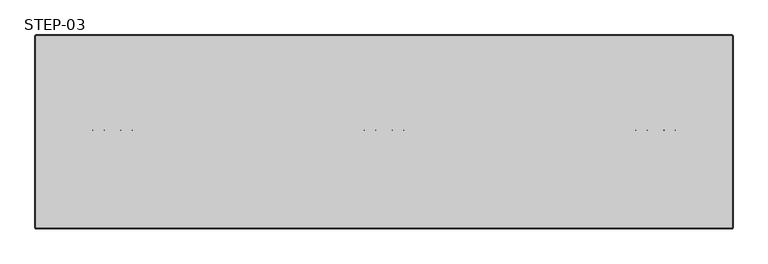
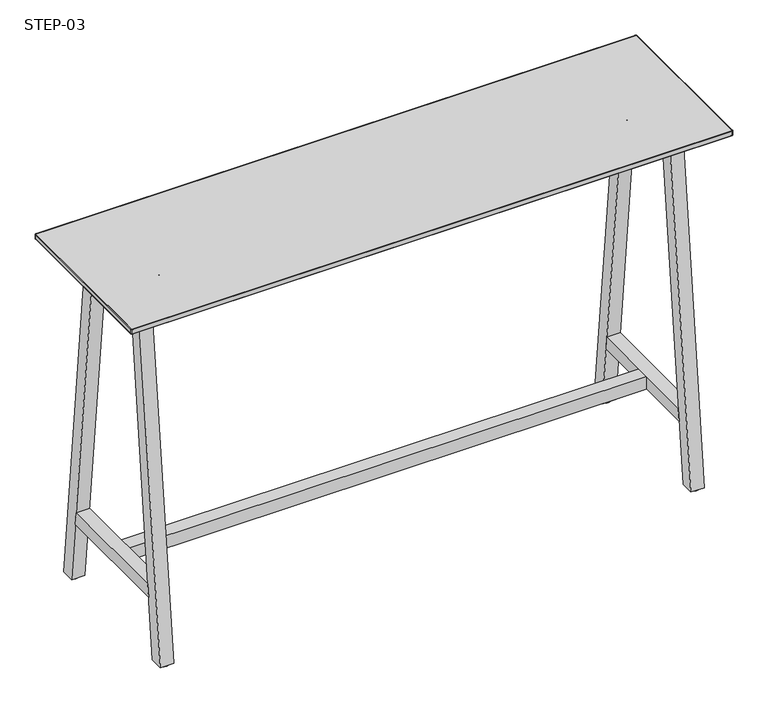
"""IFC4 building model written with IfcOpenShell, lengths in millimetres: furniture geometry, STEP-03."""

from ifc_helpers import new_model, si_unit, point, frame, frame_2d, origin, origin_with_axes, place, context, project, spatial, polyline, circle_curve, ellipse_curve, trimmed, segment, composite_curve, outline, extrude, source, transform, mapped, element, save
from ifc_brep_helpers import plane_surface, cylinder_surface, revolved_surface, advanced_brep


def step_03_76d133e0(model_context):
    return source(origin(), model_context, "Body", "SolidModel", [
        advanced_brep(
        [(1651.6617578, -245.26875, 1075.5126393), (1651.6617578, -254.79375, 1075.5126393), (1651.6617578, -254.79375, 1064.3548791), (1651.6617578, -245.26875, 1064.3548791), (1621.3137556, -245.26875, 1064.3548791), (1621.3137556, -254.79375, 1064.3548791), (1621.3137556, -245.26875, 1066.1171373), (1621.3137556, -254.79375, 1066.1171373)],
        [
            (0, 1, circle_curve(frame((1651.6617578, -250.03125, 1075.5126393), z_axis=(0.0, 0.0, 1.0), x_axis=(0.0, -1.0, 0.0)), 4.7625)),
            (1, 0, circle_curve(frame((1651.6617578, -250.03125, 1075.5126393), z_axis=(0.0, 0.0, 1.0), x_axis=(0.0, -1.0, 0.0)), 4.7625)),
            (1, 2),
            (2, 3, circle_curve(frame((1651.6617578, -250.03125, 1064.3548791), z_axis=(0.0, 0.0, 1.0), x_axis=(0.0, -1.0, 0.0)), 4.7625)),
            (3, 0),
            (3, 2, circle_curve(frame((1651.6617578, -250.03125, 1064.3548791), z_axis=(0.0, 0.0, 1.0), x_axis=(0.0, -1.0, 0.0)), 4.7625)),
            (4, 3, circle_curve(frame((1636.4877567, -245.26875, 1064.3548791), z_axis=(0.0, -1.0, 0.0), x_axis=(1.0, 0.0, 0.0)), 15.1740011)),
            (2, 5, circle_curve(frame((1636.4877567, -254.79375, 1064.3548791), z_axis=(0.0, 1.0, 0.0), x_axis=(1.0, 0.0, 0.0)), 15.1740011)),
            (5, 4, circle_curve(frame((1621.3137556, -250.03125, 1064.3548791), z_axis=(0.0, 0.0, -1.0), x_axis=(0.0, -1.0, 0.0)), 4.7625)),
            (4, 5, circle_curve(frame((1621.3137556, -250.03125, 1064.3548791), z_axis=(0.0, 0.0, -1.0), x_axis=(0.0, -1.0, 0.0)), 4.7625)),
            (6, 7, circle_curve(frame((1621.3137556, -250.03125, 1066.1171373), z_axis=(0.0, 0.0, 1.0), x_axis=(0.0, -1.0, 0.0)), 4.7625)),
            (7, 6, circle_curve(frame((1621.3137556, -250.03125, 1066.1171373), z_axis=(0.0, 0.0, 1.0), x_axis=(0.0, -1.0, 0.0)), 4.7625)),
            (5, 7),
            (6, 4),
        ],
        [
            plane_surface(frame((1656.4242578, -250.825, 1075.5126393), z_axis=(0.0, 0.0, 1.0), x_axis=(0.0, -1.0, 0.0))),
            cylinder_surface(frame((1651.6617578, -250.03125, 1075.5126393), z_axis=(0.0, 0.0, 1.0), x_axis=(0.0, -1.0, 0.0)), 4.7625),
            revolved_surface(trimmed(ellipse_curve(frame((1651.6617578, -250.03125, 1064.3548791), z_axis=(0.0, 0.0, 1.0), x_axis=(0.0, -1.0, 0.0)), 4.7625, 4.7625), [point((1651.6617578, -254.79375, 1064.3548791))], [point((1651.6617578, -245.26875, 1064.3548791))], True, "CARTESIAN"), (1636.4877567, -250.825, 1064.3548791), (0.0, 1.0, 0.0)),
            revolved_surface(trimmed(ellipse_curve(frame((1651.6617578, -250.03125, 1064.3548791), z_axis=(0.0, 0.0, 1.0), x_axis=(0.0, -1.0, 0.0)), 4.7625, 4.7625), [point((1651.6617578, -245.26875, 1064.3548791))], [point((1651.6617578, -254.79375, 1064.3548791))], True, "CARTESIAN"), (1636.4877567, -250.825, 1064.3548791), (0.0, 1.0, 0.0)),
            plane_surface(frame((1616.5512556, -250.825, 1066.1171373), z_axis=(0.0, 0.0, 1.0), x_axis=(0.0, -1.0, 0.0))),
            cylinder_surface(frame((1621.3137556, -250.03125, 1064.3548791), z_axis=(0.0, 0.0, -1.0), x_axis=(0.0, -1.0, 0.0)), 4.7625),
        ],
        [
            (0, [[1, 2]]),
            (1, [[-2, 3, 4, 5]]),
            (1, [[-1, -5, 6, -3]]),
            (2, [[7, -4, 8, 9]]),
            (3, [[-8, -6, -7, 10]]),
            (4, [[11, 12]]),
            (5, [[-9, 13, -11, 14]]),
            (5, [[-10, -14, -12, -13]]),
        ],
    ),
        advanced_brep(
        [(1548.7382422, -245.26875, 1075.5126393), (1548.7382422, -254.79375, 1075.5126393), (1548.7382422, -245.26875, 1064.3548791), (1548.7382422, -254.79375, 1064.3548791), (1579.0862444, -254.79375, 1064.3548791), (1579.0862444, -245.26875, 1064.3548791), (1579.0862444, -245.26875, 1066.1171373), (1579.0862444, -254.79375, 1066.1171373)],
        [
            (0, 1, circle_curve(frame((1548.7382422, -250.03125, 1075.5126393), z_axis=(0.0, 0.0, 1.0), x_axis=(0.0, -1.0, 0.0)), 4.7625)),
            (1, 0, circle_curve(frame((1548.7382422, -250.03125, 1075.5126393), z_axis=(0.0, 0.0, 1.0), x_axis=(0.0, -1.0, 0.0)), 4.7625)),
            (0, 2),
            (2, 3, circle_curve(frame((1548.7382422, -250.03125, 1064.3548791), z_axis=(0.0, 0.0, 1.0), x_axis=(0.0, -1.0, 0.0)), 4.7625)),
            (3, 1),
            (3, 2, circle_curve(frame((1548.7382422, -250.03125, 1064.3548791), z_axis=(0.0, 0.0, 1.0), x_axis=(0.0, -1.0, 0.0)), 4.7625)),
            (4, 3, circle_curve(frame((1563.9122433, -254.79375, 1064.3548791), z_axis=(0.0, 1.0, 0.0), x_axis=(-1.0, 0.0, 0.0)), 15.1740011)),
            (2, 5, circle_curve(frame((1563.9122433, -245.26875, 1064.3548791), z_axis=(0.0, -1.0, 0.0), x_axis=(-1.0, 0.0, 0.0)), 15.1740011)),
            (5, 4, circle_curve(frame((1579.0862444, -250.03125, 1064.3548791), z_axis=(0.0, 0.0, -1.0), x_axis=(0.0, -1.0, 0.0)), 4.7625)),
            (4, 5, circle_curve(frame((1579.0862444, -250.03125, 1064.3548791), z_axis=(0.0, 0.0, -1.0), x_axis=(0.0, -1.0, 0.0)), 4.7625)),
            (6, 7, circle_curve(frame((1579.0862444, -250.03125, 1066.1171373), z_axis=(0.0, 0.0, 1.0), x_axis=(0.0, -1.0, 0.0)), 4.7625)),
            (7, 6, circle_curve(frame((1579.0862444, -250.03125, 1066.1171373), z_axis=(0.0, 0.0, 1.0), x_axis=(0.0, -1.0, 0.0)), 4.7625)),
            (5, 6),
            (7, 4),
        ],
        [
            plane_surface(frame((1543.9757422, -250.825, 1075.5126393), z_axis=(0.0, 0.0, 1.0), x_axis=(0.0, -1.0, 0.0))),
            cylinder_surface(frame((1548.7382422, -250.03125, 1075.5126393), z_axis=(0.0, 0.0, 1.0), x_axis=(0.0, -1.0, 0.0)), 4.7625),
            revolved_surface(trimmed(ellipse_curve(frame((1548.7382422, -250.03125, 1064.3548791), z_axis=(0.0, 0.0, 1.0), x_axis=(0.0, -1.0, 0.0)), 4.7625, 4.7625), [point((1548.7382422, -245.26875, 1064.3548791))], [point((1548.7382422, -254.79375, 1064.3548791))], True, "CARTESIAN"), (1563.9122433, -250.825, 1064.3548791), (0.0, -1.0, 0.0)),
            revolved_surface(trimmed(ellipse_curve(frame((1548.7382422, -250.03125, 1064.3548791), z_axis=(0.0, 0.0, 1.0), x_axis=(0.0, -1.0, 0.0)), 4.7625, 4.7625), [point((1548.7382422, -254.79375, 1064.3548791))], [point((1548.7382422, -245.26875, 1064.3548791))], True, "CARTESIAN"), (1563.9122433, -250.825, 1064.3548791), (0.0, -1.0, 0.0)),
            plane_surface(frame((1583.8487444, -250.825, 1066.1171373), z_axis=(0.0, 0.0, 1.0), x_axis=(0.0, -1.0, 0.0))),
            cylinder_surface(frame((1579.0862444, -250.03125, 1064.3548791), z_axis=(0.0, 0.0, -1.0), x_axis=(0.0, -1.0, 0.0)), 4.7625),
        ],
        [
            (0, [[1, 2]]),
            (1, [[-1, 3, 4, 5]]),
            (1, [[-2, -5, 6, -3]]),
            (2, [[7, -4, 8, 9]]),
            (3, [[-8, -6, -7, 10]]),
            (4, [[11, 12]]),
            (5, [[-9, 13, -12, 14]]),
            (5, [[-10, -14, -11, -13]]),
        ],
    ),
        advanced_brep(
        [(951.5742578, -245.26875, 1075.5126393), (951.5742578, -254.79375, 1075.5126393), (951.5742578, -254.79375, 1064.3548791), (951.5742578, -245.26875, 1064.3548791), (921.2262556, -245.26875, 1064.3548791), (921.2262556, -254.79375, 1064.3548791), (921.2262556, -245.26875, 1066.1171373), (921.2262556, -254.79375, 1066.1171373)],
        [
            (0, 1, circle_curve(frame((951.5742578, -250.03125, 1075.5126393), z_axis=(0.0, 0.0, 1.0), x_axis=(0.0, -1.0, 0.0)), 4.7625)),
            (1, 0, circle_curve(frame((951.5742578, -250.03125, 1075.5126393), z_axis=(0.0, 0.0, 1.0), x_axis=(0.0, -1.0, 0.0)), 4.7625)),
            (1, 2),
            (2, 3, circle_curve(frame((951.5742578, -250.03125, 1064.3548791), z_axis=(0.0, 0.0, 1.0), x_axis=(0.0, -1.0, 0.0)), 4.7625)),
            (3, 0),
            (3, 2, circle_curve(frame((951.5742578, -250.03125, 1064.3548791), z_axis=(0.0, 0.0, 1.0), x_axis=(0.0, -1.0, 0.0)), 4.7625)),
            (4, 3, circle_curve(frame((936.4002567, -245.26875, 1064.3548791), z_axis=(0.0, -1.0, 0.0), x_axis=(1.0, 0.0, 0.0)), 15.1740011)),
            (2, 5, circle_curve(frame((936.4002567, -254.79375, 1064.3548791), z_axis=(0.0, 1.0, 0.0), x_axis=(1.0, 0.0, 0.0)), 15.1740011)),
            (5, 4, circle_curve(frame((921.2262556, -250.03125, 1064.3548791), z_axis=(0.0, 0.0, -1.0), x_axis=(0.0, -1.0, 0.0)), 4.7625)),
            (4, 5, circle_curve(frame((921.2262556, -250.03125, 1064.3548791), z_axis=(0.0, 0.0, -1.0), x_axis=(0.0, -1.0, 0.0)), 4.7625)),
            (6, 7, circle_curve(frame((921.2262556, -250.03125, 1066.1171373), z_axis=(0.0, 0.0, 1.0), x_axis=(0.0, -1.0, 0.0)), 4.7625)),
            (7, 6, circle_curve(frame((921.2262556, -250.03125, 1066.1171373), z_axis=(0.0, 0.0, 1.0), x_axis=(0.0, -1.0, 0.0)), 4.7625)),
            (5, 7),
            (6, 4),
        ],
        [
            plane_surface(frame((956.3367578, -250.825, 1075.5126393), z_axis=(0.0, 0.0, 1.0), x_axis=(0.0, -1.0, 0.0))),
            cylinder_surface(frame((951.5742578, -250.03125, 1075.5126393), z_axis=(0.0, 0.0, 1.0), x_axis=(0.0, -1.0, 0.0)), 4.7625),
            revolved_surface(trimmed(ellipse_curve(frame((951.5742578, -250.03125, 1064.3548791), z_axis=(0.0, 0.0, 1.0), x_axis=(0.0, -1.0, 0.0)), 4.7625, 4.7625), [point((951.5742578, -254.79375, 1064.3548791))], [point((951.5742578, -245.26875, 1064.3548791))], True, "CARTESIAN"), (936.4002567, -250.825, 1064.3548791), (0.0, 1.0, 0.0)),
            revolved_surface(trimmed(ellipse_curve(frame((951.5742578, -250.03125, 1064.3548791), z_axis=(0.0, 0.0, 1.0), x_axis=(0.0, -1.0, 0.0)), 4.7625, 4.7625), [point((951.5742578, -245.26875, 1064.3548791))], [point((951.5742578, -254.79375, 1064.3548791))], True, "CARTESIAN"), (936.4002567, -250.825, 1064.3548791), (0.0, 1.0, 0.0)),
            plane_surface(frame((916.4637556, -250.825, 1066.1171373), z_axis=(0.0, 0.0, 1.0), x_axis=(0.0, -1.0, 0.0))),
            cylinder_surface(frame((921.2262556, -250.03125, 1064.3548791), z_axis=(0.0, 0.0, -1.0), x_axis=(0.0, -1.0, 0.0)), 4.7625),
        ],
        [
            (0, [[1, 2]]),
            (1, [[-2, 3, 4, 5]]),
            (1, [[-1, -5, 6, -3]]),
            (2, [[7, -4, 8, 9]]),
            (3, [[-8, -6, -7, 10]]),
            (4, [[11, 12]]),
            (5, [[-9, 13, -11, 14]]),
            (5, [[-10, -14, -12, -13]]),
        ],
    ),
        advanced_brep(
        [(848.6507422, -245.26875, 1075.5126393), (848.6507422, -254.79375, 1075.5126393), (848.6507422, -245.26875, 1064.3548791), (848.6507422, -254.79375, 1064.3548791), (878.9987444, -254.79375, 1064.3548791), (878.9987444, -245.26875, 1064.3548791), (878.9987444, -245.26875, 1066.1171373), (878.9987444, -254.79375, 1066.1171373)],
        [
            (0, 1, circle_curve(frame((848.6507422, -250.03125, 1075.5126393), z_axis=(0.0, 0.0, 1.0), x_axis=(0.0, -1.0, 0.0)), 4.7625)),
            (1, 0, circle_curve(frame((848.6507422, -250.03125, 1075.5126393), z_axis=(0.0, 0.0, 1.0), x_axis=(0.0, -1.0, 0.0)), 4.7625)),
            (0, 2),
            (2, 3, circle_curve(frame((848.6507422, -250.03125, 1064.3548791), z_axis=(0.0, 0.0, 1.0), x_axis=(0.0, -1.0, 0.0)), 4.7625)),
            (3, 1),
            (3, 2, circle_curve(frame((848.6507422, -250.03125, 1064.3548791), z_axis=(0.0, 0.0, 1.0), x_axis=(0.0, -1.0, 0.0)), 4.7625)),
            (4, 3, circle_curve(frame((863.8247433, -254.79375, 1064.3548791), z_axis=(0.0, 1.0, 0.0), x_axis=(-1.0, 0.0, 0.0)), 15.1740011)),
            (2, 5, circle_curve(frame((863.8247433, -245.26875, 1064.3548791), z_axis=(0.0, -1.0, 0.0), x_axis=(-1.0, 0.0, 0.0)), 15.1740011)),
            (5, 4, circle_curve(frame((878.9987444, -250.03125, 1064.3548791), z_axis=(0.0, 0.0, -1.0), x_axis=(0.0, -1.0, 0.0)), 4.7625)),
            (4, 5, circle_curve(frame((878.9987444, -250.03125, 1064.3548791), z_axis=(0.0, 0.0, -1.0), x_axis=(0.0, -1.0, 0.0)), 4.7625)),
            (6, 7, circle_curve(frame((878.9987444, -250.03125, 1066.1171373), z_axis=(0.0, 0.0, 1.0), x_axis=(0.0, -1.0, 0.0)), 4.7625)),
            (7, 6, circle_curve(frame((878.9987444, -250.03125, 1066.1171373), z_axis=(0.0, 0.0, 1.0), x_axis=(0.0, -1.0, 0.0)), 4.7625)),
            (5, 6),
            (7, 4),
        ],
        [
            plane_surface(frame((843.8882422, -250.825, 1075.5126393), z_axis=(0.0, 0.0, 1.0), x_axis=(0.0, -1.0, 0.0))),
            cylinder_surface(frame((848.6507422, -250.03125, 1075.5126393), z_axis=(0.0, 0.0, 1.0), x_axis=(0.0, -1.0, 0.0)), 4.7625),
            revolved_surface(trimmed(ellipse_curve(frame((848.6507422, -250.03125, 1064.3548791), z_axis=(0.0, 0.0, 1.0), x_axis=(0.0, -1.0, 0.0)), 4.7625, 4.7625), [point((848.6507422, -245.26875, 1064.3548791))], [point((848.6507422, -254.79375, 1064.3548791))], True, "CARTESIAN"), (863.8247433, -250.825, 1064.3548791), (0.0, -1.0, 0.0)),
            revolved_surface(trimmed(ellipse_curve(frame((848.6507422, -250.03125, 1064.3548791), z_axis=(0.0, 0.0, 1.0), x_axis=(0.0, -1.0, 0.0)), 4.7625, 4.7625), [point((848.6507422, -254.79375, 1064.3548791))], [point((848.6507422, -245.26875, 1064.3548791))], True, "CARTESIAN"), (863.8247433, -250.825, 1064.3548791), (0.0, -1.0, 0.0)),
            plane_surface(frame((883.7612444, -250.825, 1066.1171373), z_axis=(0.0, 0.0, 1.0), x_axis=(0.0, -1.0, 0.0))),
            cylinder_surface(frame((878.9987444, -250.03125, 1064.3548791), z_axis=(0.0, 0.0, -1.0), x_axis=(0.0, -1.0, 0.0)), 4.7625),
        ],
        [
            (0, [[1, 2]]),
            (1, [[-1, 3, 4, 5]]),
            (1, [[-2, -5, 6, -3]]),
            (2, [[7, -4, 8, 9]]),
            (3, [[-8, -6, -7, 10]]),
            (4, [[11, 12]]),
            (5, [[-9, 13, -12, 14]]),
            (5, [[-10, -14, -11, -13]]),
        ],
    ),
        advanced_brep(
        [(251.4867578, -245.26875, 1075.5126393), (251.4867578, -254.79375, 1075.5126393), (251.4867578, -254.79375, 1064.3548791), (251.4867578, -245.26875, 1064.3548791), (221.1387556, -245.26875, 1064.3548791), (221.1387556, -254.79375, 1064.3548791), (221.1387556, -245.26875, 1066.1171373), (221.1387556, -254.79375, 1066.1171373)],
        [
            (0, 1, circle_curve(frame((251.4867578, -250.03125, 1075.5126393), z_axis=(0.0, 0.0, 1.0), x_axis=(0.0, -1.0, 0.0)), 4.7625)),
            (1, 0, circle_curve(frame((251.4867578, -250.03125, 1075.5126393), z_axis=(0.0, 0.0, 1.0), x_axis=(0.0, -1.0, 0.0)), 4.7625)),
            (1, 2),
            (2, 3, circle_curve(frame((251.4867578, -250.03125, 1064.3548791), z_axis=(0.0, 0.0, 1.0), x_axis=(0.0, -1.0, 0.0)), 4.7625)),
            (3, 0),
            (3, 2, circle_curve(frame((251.4867578, -250.03125, 1064.3548791), z_axis=(0.0, 0.0, 1.0), x_axis=(0.0, -1.0, 0.0)), 4.7625)),
            (4, 3, circle_curve(frame((236.3127567, -245.26875, 1064.3548791), z_axis=(0.0, -1.0, 0.0), x_axis=(1.0, 0.0, 0.0)), 15.1740011)),
            (2, 5, circle_curve(frame((236.3127567, -254.79375, 1064.3548791), z_axis=(0.0, 1.0, 0.0), x_axis=(1.0, 0.0, 0.0)), 15.1740011)),
            (5, 4, circle_curve(frame((221.1387556, -250.03125, 1064.3548791), z_axis=(0.0, 0.0, -1.0), x_axis=(0.0, -1.0, 0.0)), 4.7625)),
            (4, 5, circle_curve(frame((221.1387556, -250.03125, 1064.3548791), z_axis=(0.0, 0.0, -1.0), x_axis=(0.0, -1.0, 0.0)), 4.7625)),
            (6, 7, circle_curve(frame((221.1387556, -250.03125, 1066.1171373), z_axis=(0.0, 0.0, 1.0), x_axis=(0.0, -1.0, 0.0)), 4.7625)),
            (7, 6, circle_curve(frame((221.1387556, -250.03125, 1066.1171373), z_axis=(0.0, 0.0, 1.0), x_axis=(0.0, -1.0, 0.0)), 4.7625)),
            (5, 7),
            (6, 4),
        ],
        [
            plane_surface(frame((256.2492578, -250.825, 1075.5126393), z_axis=(0.0, 0.0, 1.0), x_axis=(0.0, -1.0, 0.0))),
            cylinder_surface(frame((251.4867578, -250.03125, 1075.5126393), z_axis=(0.0, 0.0, 1.0), x_axis=(0.0, -1.0, 0.0)), 4.7625),
            revolved_surface(trimmed(ellipse_curve(frame((251.4867578, -250.03125, 1064.3548791), z_axis=(0.0, 0.0, 1.0), x_axis=(0.0, -1.0, 0.0)), 4.7625, 4.7625), [point((251.4867578, -254.79375, 1064.3548791))], [point((251.4867578, -245.26875, 1064.3548791))], True, "CARTESIAN"), (236.3127567, -250.825, 1064.3548791), (0.0, 1.0, 0.0)),
            revolved_surface(trimmed(ellipse_curve(frame((251.4867578, -250.03125, 1064.3548791), z_axis=(0.0, 0.0, 1.0), x_axis=(0.0, -1.0, 0.0)), 4.7625, 4.7625), [point((251.4867578, -245.26875, 1064.3548791))], [point((251.4867578, -254.79375, 1064.3548791))], True, "CARTESIAN"), (236.3127567, -250.825, 1064.3548791), (0.0, 1.0, 0.0)),
            plane_surface(frame((216.3762556, -250.825, 1066.1171373), z_axis=(0.0, 0.0, 1.0), x_axis=(0.0, -1.0, 0.0))),
            cylinder_surface(frame((221.1387556, -250.03125, 1064.3548791), z_axis=(0.0, 0.0, -1.0), x_axis=(0.0, -1.0, 0.0)), 4.7625),
        ],
        [
            (0, [[1, 2]]),
            (1, [[-2, 3, 4, 5]]),
            (1, [[-1, -5, 6, -3]]),
            (2, [[7, -4, 8, 9]]),
            (3, [[-8, -6, -7, 10]]),
            (4, [[11, 12]]),
            (5, [[-9, 13, -11, 14]]),
            (5, [[-10, -14, -12, -13]]),
        ],
    ),
        advanced_brep(
        [(148.5632422, -245.26875, 1075.5126393), (148.5632422, -254.79375, 1075.5126393), (148.5632422, -245.26875, 1064.3548791), (148.5632422, -254.79375, 1064.3548791), (178.9112444, -254.79375, 1064.3548791), (178.9112444, -245.26875, 1064.3548791), (178.9112444, -245.26875, 1066.1171373), (178.9112444, -254.79375, 1066.1171373)],
        [
            (0, 1, circle_curve(frame((148.5632422, -250.03125, 1075.5126393), z_axis=(0.0, 0.0, 1.0), x_axis=(0.0, -1.0, 0.0)), 4.7625)),
            (1, 0, circle_curve(frame((148.5632422, -250.03125, 1075.5126393), z_axis=(0.0, 0.0, 1.0), x_axis=(0.0, -1.0, 0.0)), 4.7625)),
            (0, 2),
            (2, 3, circle_curve(frame((148.5632422, -250.03125, 1064.3548791), z_axis=(0.0, 0.0, 1.0), x_axis=(0.0, -1.0, 0.0)), 4.7625)),
            (3, 1),
            (3, 2, circle_curve(frame((148.5632422, -250.03125, 1064.3548791), z_axis=(0.0, 0.0, 1.0), x_axis=(0.0, -1.0, 0.0)), 4.7625)),
            (4, 3, circle_curve(frame((163.7372433, -254.79375, 1064.3548791), z_axis=(0.0, 1.0, 0.0), x_axis=(-1.0, 0.0, 0.0)), 15.1740011)),
            (2, 5, circle_curve(frame((163.7372433, -245.26875, 1064.3548791), z_axis=(0.0, -1.0, 0.0), x_axis=(-1.0, 0.0, 0.0)), 15.1740011)),
            (5, 4, circle_curve(frame((178.9112444, -250.03125, 1064.3548791), z_axis=(0.0, 0.0, -1.0), x_axis=(0.0, -1.0, 0.0)), 4.7625)),
            (4, 5, circle_curve(frame((178.9112444, -250.03125, 1064.3548791), z_axis=(0.0, 0.0, -1.0), x_axis=(0.0, -1.0, 0.0)), 4.7625)),
            (6, 7, circle_curve(frame((178.9112444, -250.03125, 1066.1171373), z_axis=(0.0, 0.0, 1.0), x_axis=(0.0, -1.0, 0.0)), 4.7625)),
            (7, 6, circle_curve(frame((178.9112444, -250.03125, 1066.1171373), z_axis=(0.0, 0.0, 1.0), x_axis=(0.0, -1.0, 0.0)), 4.7625)),
            (5, 6),
            (7, 4),
        ],
        [
            plane_surface(frame((143.8007422, -250.825, 1075.5126393), z_axis=(0.0, 0.0, 1.0), x_axis=(0.0, -1.0, 0.0))),
            cylinder_surface(frame((148.5632422, -250.03125, 1075.5126393), z_axis=(0.0, 0.0, 1.0), x_axis=(0.0, -1.0, 0.0)), 4.7625),
            revolved_surface(trimmed(ellipse_curve(frame((148.5632422, -250.03125, 1064.3548791), z_axis=(0.0, 0.0, 1.0), x_axis=(0.0, -1.0, 0.0)), 4.7625, 4.7625), [point((148.5632422, -245.26875, 1064.3548791))], [point((148.5632422, -254.79375, 1064.3548791))], True, "CARTESIAN"), (163.7372433, -250.825, 1064.3548791), (0.0, -1.0, 0.0)),
            revolved_surface(trimmed(ellipse_curve(frame((148.5632422, -250.03125, 1064.3548791), z_axis=(0.0, 0.0, 1.0), x_axis=(0.0, -1.0, 0.0)), 4.7625, 4.7625), [point((148.5632422, -254.79375, 1064.3548791))], [point((148.5632422, -245.26875, 1064.3548791))], True, "CARTESIAN"), (163.7372433, -250.825, 1064.3548791), (0.0, -1.0, 0.0)),
            plane_surface(frame((183.6737444, -250.825, 1066.1171373), z_axis=(0.0, 0.0, 1.0), x_axis=(0.0, -1.0, 0.0))),
            cylinder_surface(frame((178.9112444, -250.03125, 1064.3548791), z_axis=(0.0, 0.0, -1.0), x_axis=(0.0, -1.0, 0.0)), 4.7625),
        ],
        [
            (0, [[1, 2]]),
            (1, [[-1, 3, 4, 5]]),
            (1, [[-2, -5, 6, -3]]),
            (2, [[7, -4, 8, 9]]),
            (3, [[-8, -6, -7, 10]]),
            (4, [[11, 12]]),
            (5, [[-9, 13, -12, 14]]),
            (5, [[-10, -14, -11, -13]]),
        ],
    ),
        extrude(outline(composite_curve([segment(trimmed(circle_curve(frame_2d((106.1921918, -20.1939958)), 15.875), [point((90.3171918, -20.1939958))], [point((122.0671918, -20.1939958))], False, "CARTESIAN"), True, "CONTINUOUS"), segment(trimmed(circle_curve(frame_2d((106.1921918, -20.1939958)), 15.875), [point((122.0671918, -20.1939958))], [point((90.3171918, -20.1939958))], False, "CARTESIAN"), True, "CONTINUOUS")], self_intersect=False)), origin_with_axes(), (0.0, 0.0, 1.0), 5.0034254),
        extrude(outline(composite_curve([segment(trimmed(circle_curve(frame_2d((1694.0328082, -20.1939958)), 15.875), [point((1678.1578082, -20.1939958))], [point((1709.9078082, -20.1939958))], False, "CARTESIAN"), True, "CONTINUOUS"), segment(trimmed(circle_curve(frame_2d((1694.0328082, -20.1939958)), 15.875), [point((1709.9078082, -20.1939958))], [point((1678.1578082, -20.1939958))], False, "CARTESIAN"), True, "CONTINUOUS")], self_intersect=False)), origin_with_axes(), (0.0, 0.0, 1.0), 5.0034254),
        extrude(outline(composite_curve([segment(trimmed(circle_curve(frame_2d((106.1921918, -479.8685042)), 15.875), [point((90.3171918, -479.8685042))], [point((122.0671918, -479.8685042))], False, "CARTESIAN"), True, "CONTINUOUS"), segment(trimmed(circle_curve(frame_2d((106.1921918, -479.8685042)), 15.875), [point((122.0671918, -479.8685042))], [point((90.3171918, -479.8685042))], False, "CARTESIAN"), True, "CONTINUOUS")], self_intersect=False)), origin_with_axes(), (0.0, 0.0, 1.0), 5.0034254),
        extrude(outline(composite_curve([segment(trimmed(circle_curve(frame_2d((1694.0328082, -479.8685042)), 15.875), [point((1678.1578082, -479.8685042))], [point((1709.9078082, -479.8685042))], False, "CARTESIAN"), True, "CONTINUOUS"), segment(trimmed(circle_curve(frame_2d((1694.0328082, -479.8685042)), 15.875), [point((1709.9078082, -479.8685042))], [point((1678.1578082, -479.8685042))], False, "CARTESIAN"), True, "CONTINUOUS")], self_intersect=False)), origin_with_axes(), (0.0, 0.0, 1.0), 5.0034254),
        extrude(outline(polyline([(920.4325056, -349.3371425), (879.7924944, -349.3371425), (879.7924944, -150.7253575), (920.4325056, -150.7253575), (920.4325056, -349.3371425)])), frame((0.0, 0.0, 1049.7269648), z_axis=(0.0, 0.0, 1.0), x_axis=(1.0, 0.0, 0.0)), (0.0, 0.0, 1.0), 40.1626142),
        extrude(outline(polyline([(220.3450056, -349.3371425), (179.7049944, -349.3371425), (179.7049944, -150.7253575), (220.3450056, -150.7253575), (220.3450056, -349.3371425)])), frame((0.0, 0.0, 1049.7269648), z_axis=(0.0, 0.0, 1.0), x_axis=(1.0, 0.0, 0.0)), (0.0, 0.0, 1.0), 40.1626142),
        extrude(outline(polyline([(1620.5200056, -349.3371425), (1579.8799944, -349.3371425), (1579.8799944, -150.7253575), (1620.5200056, -150.7253575), (1620.5200056, -349.3371425)])), frame((0.0, 0.0, 1049.7269648), z_axis=(0.0, 0.0, 1.0), x_axis=(1.0, 0.0, 0.0)), (0.0, 0.0, 1.0), 40.1626142),
        extrude(outline(polyline([(-64.4003259, 231.3462895), (-60.1825857, 191.5894139), (-439.8799143, 191.5894139), (-435.6621741, 231.3462895), (-64.4003259, 231.3462895)])), frame((1674.01875, 0.0, 0.0), z_axis=(1.0, 0.0, 0.0), x_axis=(0.0, 1.0, 0.0)), (0.0, 0.0, 1.0), 40.0281163),
        extrude(outline(polyline([(-64.4003259, 231.3462895), (-60.1825857, 191.5894139), (-439.8799143, 191.5894139), (-435.6621741, 231.3462895), (-64.4003259, 231.3462895)])), frame((86.1781337, 0.0, 0.0), z_axis=(1.0, 0.0, 0.0), x_axis=(0.0, 1.0, 0.0)), (0.0, 0.0, 1.0), 40.0281163),
        extrude(outline(polyline([(-151.2209573, 1049.7269648), (-348.8415427, 1049.7269648), (-459.6745084, 5.0034254), (-500.0625, 5.0034254), (-384.96875, 1089.889579), (-115.09375, 1089.889579), (0.0, 5.0034254), (-40.3879916, 5.0034254), (-151.2209573, 1049.7269648)])), frame((1674.01875, 0.0, 0.0), z_axis=(1.0, 0.0, 0.0), x_axis=(0.0, 1.0, 0.0)), (0.0, 0.0, 1.0), 40.0281163),
        extrude(outline(polyline([(-500.0625, 5.0034254), (-384.96875, 1089.889579), (-115.09375, 1089.889579), (0.0, 5.0034254), (-40.3879916, 5.0034254), (-151.2209573, 1049.7269648), (-348.8415427, 1049.7269648), (-459.6745084, 5.0034254), (-500.0625, 5.0034254)])), frame((86.1781337, 0.0, 0.0), z_axis=(1.0, 0.0, 0.0), x_axis=(0.0, 1.0, 0.0)), (0.0, 0.0, 1.0), 40.0281163),
        extrude(outline(polyline([(1674.01875, -230.0171578), (1674.01875, -270.0453422), (126.20625, -270.0453422), (126.20625, -230.0171578), (1674.01875, -230.0171578)])), frame((0.0, 0.0, 191.5894139), z_axis=(0.0, 0.0, 1.0), x_axis=(1.0, 0.0, 0.0)), (0.0, 0.0, 1.0), 39.7568756),
        extrude(outline(polyline([(-349.3371425, 1089.889579), (-349.3371425, 1049.7269648), (-389.2295343, 1049.7269648), (-384.96875, 1089.889579), (-349.3371425, 1089.889579)])), frame((126.20625, 0.0, 0.0), z_axis=(1.0, 0.0, 0.0), x_axis=(0.0, 1.0, 0.0)), (0.0, 0.0, 1.0), 1547.8125),
        extrude(outline(polyline([(-150.7253575, 1089.889579), (-115.09375, 1089.889579), (-110.8329657, 1049.7269648), (-150.7253575, 1049.7269648), (-150.7253575, 1089.889579)])), frame((126.20625, 0.0, 0.0), z_axis=(1.0, 0.0, 0.0), x_axis=(0.0, 1.0, 0.0)), (0.0, 0.0, 1.0), 1547.8125),
        extrude(outline(composite_curve([segment(trimmed(circle_curve(frame_2d((1797.05, -3.175)), 0.79375), [point((1797.05, -2.38125))], [point((1797.84375, -3.175))], False, "CARTESIAN"), True, "CONTINUOUS"), segment(polyline([(1797.84375, -3.175), (1797.84375, -496.8875)]), True, "CONTINUOUS"), segment(trimmed(circle_curve(frame_2d((1797.05, -496.8875)), 0.79375), [point((1797.84375, -496.8875))], [point((1797.05, -497.68125))], False, "CARTESIAN"), True, "CONTINUOUS"), segment(polyline([(1797.05, -497.68125), (3.175, -497.68125)]), True, "CONTINUOUS"), segment(trimmed(circle_curve(frame_2d((3.175, -496.8875)), 0.79375), [point((3.175, -497.68125))], [point((2.38125, -496.8875))], False, "CARTESIAN"), True, "CONTINUOUS"), segment(polyline([(2.38125, -496.8875), (2.38125, -3.19405)]), True, "CONTINUOUS"), segment(trimmed(circle_curve(frame_2d((3.19405, -3.19405)), 0.8128), [point((2.38125, -3.19405))], [point((3.19405, -2.38125))], False, "CARTESIAN"), True, "CONTINUOUS"), segment(polyline([(3.19405, -2.38125), (1797.05, -2.38125)]), True, "CONTINUOUS")], self_intersect=False)), frame((0.0, 0.0, 1089.889579), z_axis=(0.0, 0.0, 1.0), x_axis=(1.0, 0.0, 0.0)), (0.0, 0.0, 1.0), 15.010421),
        advanced_brep(
        [(1799.4122, -3.175, 1089.889579), (1797.05, -0.8128, 1089.889579), (1797.05, 0.0, 1090.702379), (1800.225, -3.175, 1090.702379), (1797.84375, -3.175, 1104.9), (1797.05, -2.38125, 1104.9), (1797.05, -2.38125, 1089.889579), (1797.84375, -3.175, 1089.889579), (1800.225, -3.175, 1104.0872), (1797.05, 0.0, 1104.0872), (1797.05, -0.8128, 1104.9), (1799.4122, -3.175, 1104.9), (1800.225, -496.8875, 1090.702379), (1799.4122, -496.8875, 1089.889579), (1797.84375, -496.8875, 1089.889579), (1797.84375, -496.8875, 1104.9), (1799.4122, -496.8875, 1104.9), (1800.225, -496.8875, 1104.0872), (1797.05, -499.2497, 1089.889579), (1797.05, -500.0625, 1090.702379), (1797.05, -497.68125, 1104.9), (1797.05, -497.68125, 1089.889579), (1797.05, -500.0625, 1104.0872), (1797.05, -499.2497, 1104.9), (3.175, -500.0625, 1090.702379), (3.175, -499.2497, 1089.889579), (3.175, -497.68125, 1089.889579), (3.175, -497.68125, 1104.9), (3.175, -499.2497, 1104.9), (3.175, -500.0625, 1104.0872), (0.8128, -496.8875, 1089.889579), (0.0, -496.8875, 1090.702379), (2.38125, -496.8875, 1104.9), (2.38125, -496.8875, 1089.889579), (0.0, -496.8875, 1104.0872), (0.8128, -496.8875, 1104.9), (0.0, -3.19405, 1090.702379), (0.8128, -3.19405, 1089.889579), (2.38125, -3.19405, 1089.889579), (2.38125, -3.19405, 1104.9), (0.8128, -3.19405, 1104.9), (0.0, -3.19405, 1104.0872), (3.19405, -0.8128, 1089.889579), (3.19405, 0.0, 1090.702379), (3.19405, -2.38125, 1104.9), (3.19405, -2.38125, 1089.889579), (3.19405, 0.0, 1104.0872), (3.19405, -0.8128, 1104.9)],
        [
            (0, 1, circle_curve(frame((1797.05, -3.175, 1089.889579), z_axis=(0.0, 0.0, 1.0), x_axis=(0.0, 1.0, 0.0)), 2.3622)),
            (1, 2, circle_curve(frame((1797.05, -0.8128, 1090.702379), z_axis=(1.0, 0.0, 0.0), x_axis=(0.0, 1.0, 0.0)), 0.8128)),
            (2, 3, circle_curve(frame((1797.05, -3.175, 1090.702379), z_axis=(0.0, 0.0, -1.0), x_axis=(0.0, 1.0, 0.0)), 3.175)),
            (3, 0, circle_curve(frame((1799.4122, -3.175, 1090.702379), z_axis=(0.0, 1.0, 0.0), x_axis=(1.0, 0.0, 0.0)), 0.8128)),
            (4, 5, circle_curve(frame((1797.05, -3.175, 1104.9), z_axis=(0.0, 0.0, 1.0), x_axis=(0.0, 1.0, 0.0)), 0.79375)),
            (5, 6),
            (6, 7, circle_curve(frame((1797.05, -3.175, 1089.889579), z_axis=(0.0, 0.0, -1.0), x_axis=(0.0, 1.0, 0.0)), 0.79375)),
            (7, 4),
            (8, 9, circle_curve(frame((1797.05, -3.175, 1104.0872), z_axis=(0.0, 0.0, 1.0), x_axis=(0.0, 1.0, 0.0)), 3.175)),
            (9, 10, circle_curve(frame((1797.05, -0.8128, 1104.0872), z_axis=(1.0, 0.0, 0.0), x_axis=(0.0, 1.0, 0.0)), 0.8128)),
            (10, 11, circle_curve(frame((1797.05, -3.175, 1104.9), z_axis=(0.0, 0.0, -1.0), x_axis=(0.0, 1.0, 0.0)), 2.3622)),
            (11, 8, circle_curve(frame((1799.4122, -3.175, 1104.0872), z_axis=(0.0, 1.0, 0.0), x_axis=(1.0, 0.0, 0.0)), 0.8128)),
            (2, 9),
            (8, 3),
            (3, 12),
            (12, 13, circle_curve(frame((1799.4122, -496.8875, 1090.702379), z_axis=(0.0, 1.0, 0.0), x_axis=(1.0, 0.0, 0.0)), 0.8128)),
            (13, 0),
            (7, 14),
            (14, 15),
            (15, 4),
            (11, 16),
            (16, 17, circle_curve(frame((1799.4122, -496.8875, 1104.0872), z_axis=(0.0, 1.0, 0.0), x_axis=(1.0, 0.0, 0.0)), 0.8128)),
            (17, 8),
            (17, 12),
            (18, 13, circle_curve(frame((1797.05, -496.8875, 1089.889579), z_axis=(0.0, 0.0, 1.0), x_axis=(1.0, 0.0, 0.0)), 2.3622)),
            (12, 19, circle_curve(frame((1797.05, -496.8875, 1090.702379), z_axis=(0.0, 0.0, -1.0), x_axis=(1.0, 0.0, 0.0)), 3.175)),
            (19, 18, circle_curve(frame((1797.05, -499.2497, 1090.702379), z_axis=(1.0, 0.0, 0.0), x_axis=(0.0, -1.0, 0.0)), 0.8128)),
            (20, 15, circle_curve(frame((1797.05, -496.8875, 1104.9), z_axis=(0.0, 0.0, 1.0), x_axis=(1.0, 0.0, 0.0)), 0.79375)),
            (14, 21, circle_curve(frame((1797.05, -496.8875, 1089.889579), z_axis=(0.0, 0.0, -1.0), x_axis=(1.0, 0.0, 0.0)), 0.79375)),
            (21, 20),
            (22, 17, circle_curve(frame((1797.05, -496.8875, 1104.0872), z_axis=(0.0, 0.0, 1.0), x_axis=(1.0, 0.0, 0.0)), 3.175)),
            (16, 23, circle_curve(frame((1797.05, -496.8875, 1104.9), z_axis=(0.0, 0.0, -1.0), x_axis=(1.0, 0.0, 0.0)), 2.3622)),
            (23, 22, circle_curve(frame((1797.05, -499.2497, 1104.0872), z_axis=(1.0, 0.0, 0.0), x_axis=(0.0, -1.0, 0.0)), 0.8128)),
            (22, 19),
            (19, 24),
            (24, 25, circle_curve(frame((3.175, -499.2497, 1090.702379), z_axis=(1.0, 0.0, 0.0), x_axis=(0.0, -1.0, 0.0)), 0.8128)),
            (25, 18),
            (21, 26),
            (26, 27),
            (27, 20),
            (23, 28),
            (28, 29, circle_curve(frame((3.175, -499.2497, 1104.0872), z_axis=(1.0, 0.0, 0.0), x_axis=(0.0, -1.0, 0.0)), 0.8128)),
            (29, 22),
            (29, 24),
            (30, 25, circle_curve(frame((3.175, -496.8875, 1089.889579), z_axis=(0.0, 0.0, 1.0), x_axis=(0.0, -1.0, 0.0)), 2.3622)),
            (24, 31, circle_curve(frame((3.175, -496.8875, 1090.702379), z_axis=(0.0, 0.0, -1.0), x_axis=(0.0, -1.0, 0.0)), 3.175)),
            (31, 30, circle_curve(frame((0.8128, -496.8875, 1090.702379), z_axis=(0.0, -1.0, 0.0), x_axis=(-1.0, 0.0, 0.0)), 0.8128)),
            (32, 27, circle_curve(frame((3.175, -496.8875, 1104.9), z_axis=(0.0, 0.0, 1.0), x_axis=(0.0, -1.0, 0.0)), 0.79375)),
            (26, 33, circle_curve(frame((3.175, -496.8875, 1089.889579), z_axis=(0.0, 0.0, -1.0), x_axis=(0.0, -1.0, 0.0)), 0.79375)),
            (33, 32),
            (34, 29, circle_curve(frame((3.175, -496.8875, 1104.0872), z_axis=(0.0, 0.0, 1.0), x_axis=(0.0, -1.0, 0.0)), 3.175)),
            (28, 35, circle_curve(frame((3.175, -496.8875, 1104.9), z_axis=(0.0, 0.0, -1.0), x_axis=(0.0, -1.0, 0.0)), 2.3622)),
            (35, 34, circle_curve(frame((0.8128, -496.8875, 1104.0872), z_axis=(0.0, -1.0, 0.0), x_axis=(-1.0, 0.0, 0.0)), 0.8128)),
            (34, 31),
            (31, 36),
            (36, 37, circle_curve(frame((0.8128, -3.19405, 1090.702379), z_axis=(0.0, -1.0, 0.0), x_axis=(-1.0, 0.0, 0.0)), 0.8128)),
            (37, 30),
            (33, 38),
            (38, 39),
            (39, 32),
            (35, 40),
            (40, 41, circle_curve(frame((0.8128, -3.19405, 1104.0872), z_axis=(0.0, -1.0, 0.0), x_axis=(-1.0, 0.0, 0.0)), 0.8128)),
            (41, 34),
            (41, 36),
            (42, 37, circle_curve(frame((3.19405, -3.19405, 1089.889579), z_axis=(0.0, 0.0, 1.0), x_axis=(-1.0, 0.0, 0.0)), 2.38125)),
            (36, 43, circle_curve(frame((3.19405, -3.19405, 1090.702379), z_axis=(0.0, 0.0, -1.0), x_axis=(-1.0, 0.0, 0.0)), 3.19405)),
            (43, 42, circle_curve(frame((3.19405, -0.8128, 1090.702379), z_axis=(-1.0, 0.0, 0.0), x_axis=(0.0, 1.0, 0.0)), 0.8128)),
            (44, 39, circle_curve(frame((3.19405, -3.19405, 1104.9), z_axis=(0.0, 0.0, 1.0), x_axis=(-1.0, 0.0, 0.0)), 0.8128)),
            (38, 45, circle_curve(frame((3.19405, -3.19405, 1089.889579), z_axis=(0.0, 0.0, -1.0), x_axis=(-1.0, 0.0, 0.0)), 0.8128)),
            (45, 44),
            (46, 41, circle_curve(frame((3.19405, -3.19405, 1104.0872), z_axis=(0.0, 0.0, 1.0), x_axis=(-1.0, 0.0, 0.0)), 3.19405)),
            (40, 47, circle_curve(frame((3.19405, -3.19405, 1104.9), z_axis=(0.0, 0.0, -1.0), x_axis=(-1.0, 0.0, 0.0)), 2.38125)),
            (47, 46, circle_curve(frame((3.19405, -0.8128, 1104.0872), z_axis=(-1.0, 0.0, 0.0), x_axis=(0.0, 1.0, 0.0)), 0.8128)),
            (46, 43),
            (43, 2),
            (1, 42),
            (6, 45),
            (5, 44),
            (10, 47),
            (9, 46),
        ],
        [
            revolved_surface(trimmed(ellipse_curve(frame((1797.05, -0.8128, 1090.702379), z_axis=(-1.0, 0.0, 0.0), x_axis=(0.0, 1.0, 0.0)), 0.8128, 0.8128), [point((1797.05, 0.0, 1090.702379))], [point((1797.05, -0.8128, 1089.889579))], True, "CARTESIAN"), (1797.05, -3.175, 0.0), (0.0, 0.0, -1.0)),
            revolved_surface(polyline([(1797.05, -2.3812499999999996, 1089.889579), (1797.05, -2.3812499999999996, 1104.9)]), (1797.05, -3.175, 0.0), (0.0, 0.0, -1.0)),
            revolved_surface(trimmed(ellipse_curve(frame((1797.05, -0.8128, 1104.0872), z_axis=(-1.0, 0.0, 0.0), x_axis=(0.0, 1.0, 0.0)), 0.8128, 0.8128), [point((1797.05, -0.8128, 1104.9))], [point((1797.05, 0.0, 1104.0872))], True, "CARTESIAN"), (1797.05, -3.175, 0.0), (0.0, 0.0, -1.0)),
            cylinder_surface(frame((1797.05, -3.175, 0.0), z_axis=(0.0, 0.0, -1.0), x_axis=(0.0, 1.0, 0.0)), 3.175),
            cylinder_surface(frame((1799.4122, -3.175, 1090.702379), z_axis=(0.0, 1.0, 0.0), x_axis=(1.0, 0.0, 0.0)), 0.8128),
            plane_surface(frame((1797.84375, -3.175, 1089.889579), z_axis=(-1.0, 0.0, 0.0), x_axis=(0.0, -1.0, 0.0))),
            cylinder_surface(frame((1799.4122, -3.175, 1104.0872), z_axis=(0.0, 1.0, 0.0), x_axis=(1.0, 0.0, 0.0)), 0.8128),
            plane_surface(frame((1800.225, -3.175, 1104.0872), z_axis=(1.0, 0.0, 0.0), x_axis=(0.0, -1.0, 0.0))),
            revolved_surface(trimmed(ellipse_curve(frame((1799.4122, -496.8875, 1090.702379), z_axis=(0.0, 1.0, 0.0), x_axis=(1.0, 0.0, 0.0)), 0.8128, 0.8128), [point((1800.225, -496.8875, 1090.702379))], [point((1799.4122, -496.8875, 1089.889579))], True, "CARTESIAN"), (1797.05, -496.8875, 0.0), (0.0, 0.0, -1.0)),
            revolved_surface(polyline([(1797.84375, -496.8875, 1089.889579), (1797.84375, -496.8875, 1104.9)]), (1797.05, -496.8875, 0.0), (0.0, 0.0, -1.0)),
            revolved_surface(trimmed(ellipse_curve(frame((1799.4122, -496.8875, 1104.0872), z_axis=(0.0, 1.0, 0.0), x_axis=(1.0, 0.0, 0.0)), 0.8128, 0.8128), [point((1799.4122, -496.8875, 1104.9))], [point((1800.225, -496.8875, 1104.0872))], True, "CARTESIAN"), (1797.05, -496.8875, 0.0), (0.0, 0.0, -1.0)),
            cylinder_surface(frame((1797.05, -496.8875, 0.0), z_axis=(0.0, 0.0, -1.0), x_axis=(1.0, 0.0, 0.0)), 3.175),
            cylinder_surface(frame((1797.05, -499.2497, 1090.702379), z_axis=(1.0, 0.0, 0.0), x_axis=(0.0, -1.0, 0.0)), 0.8128),
            plane_surface(frame((1797.05, -497.68125, 1089.889579), z_axis=(0.0, 1.0, 0.0), x_axis=(-1.0, 0.0, 0.0))),
            cylinder_surface(frame((1797.05, -499.2497, 1104.0872), z_axis=(1.0, 0.0, 0.0), x_axis=(0.0, -1.0, 0.0)), 0.8128),
            plane_surface(frame((1797.05, -500.0625, 1104.0872), z_axis=(0.0, -1.0, 0.0), x_axis=(-1.0, 0.0, 0.0))),
            revolved_surface(trimmed(ellipse_curve(frame((3.175, -499.2497, 1090.702379), z_axis=(1.0, 0.0, 0.0), x_axis=(0.0, -1.0, 0.0)), 0.8128, 0.8128), [point((3.175, -500.0625, 1090.702379))], [point((3.175, -499.2497, 1089.889579))], True, "CARTESIAN"), (3.175, -496.8875, 0.0), (0.0, 0.0, -1.0)),
            revolved_surface(polyline([(3.175, -497.68125, 1089.889579), (3.175, -497.68125, 1104.9)]), (3.175, -496.8875, 0.0), (0.0, 0.0, -1.0)),
            revolved_surface(trimmed(ellipse_curve(frame((3.175, -499.2497, 1104.0872), z_axis=(1.0, 0.0, 0.0), x_axis=(0.0, -1.0, 0.0)), 0.8128, 0.8128), [point((3.175, -499.2497, 1104.9))], [point((3.175, -500.0625, 1104.0872))], True, "CARTESIAN"), (3.175, -496.8875, 0.0), (0.0, 0.0, -1.0)),
            cylinder_surface(frame((3.175, -496.8875, 0.0), z_axis=(0.0, 0.0, -1.0), x_axis=(0.0, -1.0, 0.0)), 3.175),
            cylinder_surface(frame((0.8128, -496.8875, 1090.702379), z_axis=(0.0, -1.0, 0.0), x_axis=(-1.0, 0.0, 0.0)), 0.8128),
            plane_surface(frame((2.38125, -496.8875, 1089.889579), z_axis=(1.0, 0.0, 0.0), x_axis=(0.0, 1.0, 0.0))),
            cylinder_surface(frame((0.8128, -496.8875, 1104.0872), z_axis=(0.0, -1.0, 0.0), x_axis=(-1.0, 0.0, 0.0)), 0.8128),
            plane_surface(frame((0.0, -496.8875, 1104.0872), z_axis=(-1.0, 0.0, 0.0), x_axis=(0.0, 1.0, 0.0))),
            revolved_surface(trimmed(ellipse_curve(frame((0.8128, -3.19405, 1090.702379), z_axis=(0.0, -1.0, 0.0), x_axis=(-1.0, 0.0, 0.0)), 0.8128, 0.8128), [point((0.0, -3.19405, 1090.702379))], [point((0.8128, -3.19405, 1089.889579))], True, "CARTESIAN"), (3.19405, -3.19405, 0.0), (0.0, 0.0, -1.0)),
            revolved_surface(polyline([(2.3812499999999996, -3.19405, 1089.889579), (2.3812499999999996, -3.19405, 1104.9)]), (3.19405, -3.19405, 0.0), (0.0, 0.0, -1.0)),
            revolved_surface(trimmed(ellipse_curve(frame((0.8128, -3.19405, 1104.0872), z_axis=(0.0, -1.0, 0.0), x_axis=(-1.0, 0.0, 0.0)), 0.8128, 0.8128), [point((0.8128, -3.19405, 1104.9))], [point((0.0, -3.19405, 1104.0872))], True, "CARTESIAN"), (3.19405, -3.19405, 0.0), (0.0, 0.0, -1.0)),
            cylinder_surface(frame((3.19405, -3.19405, 0.0), z_axis=(0.0, 0.0, -1.0), x_axis=(-1.0, 0.0, 0.0)), 3.19405),
            cylinder_surface(frame((3.19405, -0.8128, 1090.702379), z_axis=(-1.0, 0.0, 0.0), x_axis=(0.0, 1.0, 0.0)), 0.8128),
            plane_surface(frame((3.19405, -0.8128, 1089.889579), z_axis=(0.0, 0.0, -1.0), x_axis=(1.0, 0.0, 0.0))),
            plane_surface(frame((3.19405, -2.38125, 1089.889579), z_axis=(0.0, -1.0, 0.0), x_axis=(1.0, 0.0, 0.0))),
            plane_surface(frame((3.19405, -2.38125, 1104.9), z_axis=(0.0, 0.0, 1.0), x_axis=(1.0, 0.0, 0.0))),
            cylinder_surface(frame((3.19405, -0.8128, 1104.0872), z_axis=(-1.0, 0.0, 0.0), x_axis=(0.0, 1.0, 0.0)), 0.8128),
            plane_surface(frame((3.19405, 0.0, 1104.0872), z_axis=(0.0, 1.0, 0.0), x_axis=(1.0, 0.0, 0.0))),
        ],
        [
            (0, [[1, 2, 3, 4]]),
            (1, [[5, 6, 7, 8]]),
            (2, [[9, 10, 11, 12]]),
            (3, [[-3, 13, -9, 14]]),
            (4, [[-4, 15, 16, 17]]),
            (5, [[-8, 18, 19, 20]]),
            (6, [[-12, 21, 22, 23]]),
            (7, [[-14, -23, 24, -15]]),
            (8, [[25, -16, 26, 27]]),
            (9, [[28, -19, 29, 30]]),
            (10, [[31, -22, 32, 33]]),
            (11, [[-26, -24, -31, 34]]),
            (12, [[-27, 35, 36, 37]]),
            (13, [[-30, 38, 39, 40]]),
            (14, [[-33, 41, 42, 43]]),
            (15, [[-34, -43, 44, -35]]),
            (16, [[45, -36, 46, 47]]),
            (17, [[48, -39, 49, 50]]),
            (18, [[51, -42, 52, 53]]),
            (19, [[-46, -44, -51, 54]]),
            (20, [[-47, 55, 56, 57]]),
            (21, [[-50, 58, 59, 60]]),
            (22, [[-53, 61, 62, 63]]),
            (23, [[-54, -63, 64, -55]]),
            (24, [[65, -56, 66, 67]]),
            (25, [[68, -59, 69, 70]]),
            (26, [[71, -62, 72, 73]]),
            (27, [[-66, -64, -71, 74]]),
            (28, [[-67, 75, -2, 76]]),
            (29, [[-57, -65, -76, -1, -17, -25, -37, -45], [77, -69, -58, -49, -38, -29, -18, -7]]),
            (30, [[-70, -77, -6, 78]]),
            (31, [[79, -72, -61, -52, -41, -32, -21, -11], [-60, -68, -78, -5, -20, -28, -40, -48]]),
            (32, [[-73, -79, -10, 80]]),
            (33, [[-74, -80, -13, -75]]),
        ],
    ),
    ])


if __name__ == "__main__":
    model = new_model("IFC4")
    model_context = context("Model", 3, world=origin())
    ifc_project = project(units=[si_unit("LENGTHUNIT", "METRE", prefix="MILLI")], contexts=[model_context])
    site = spatial("IfcSite", under=ifc_project)
    building = spatial("IfcBuilding", under=site)
    placement = place(None, origin())
    step_03_shape = step_03_76d133e0(model_context)
    element("IfcFurniture", 1, ObjectType="STEP-03", at=placement, inside=building, context=model_context, shape_type="MappedRepresentation", body=[
        mapped(step_03_shape, transform((0.0, 0.0, 0.0), x_axis=(1.0, 0.0, 0.0), y_axis=(0.0, 1.0, 0.0), z_axis=(0.0, 0.0, 1.0))),
    ])
    save(model, "model.ifc")
